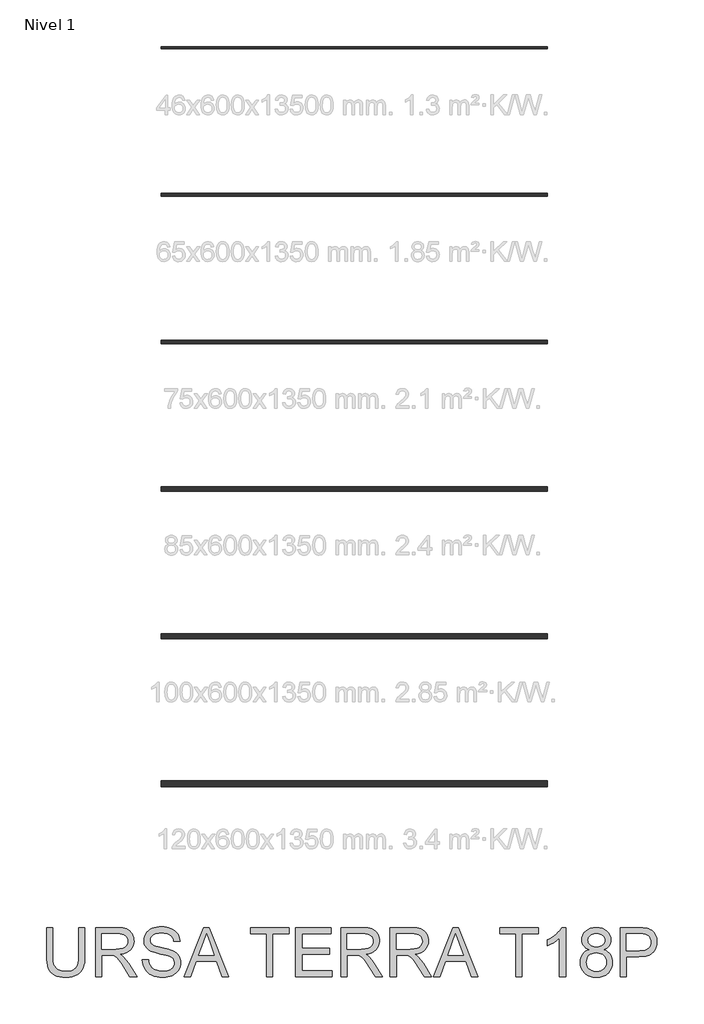
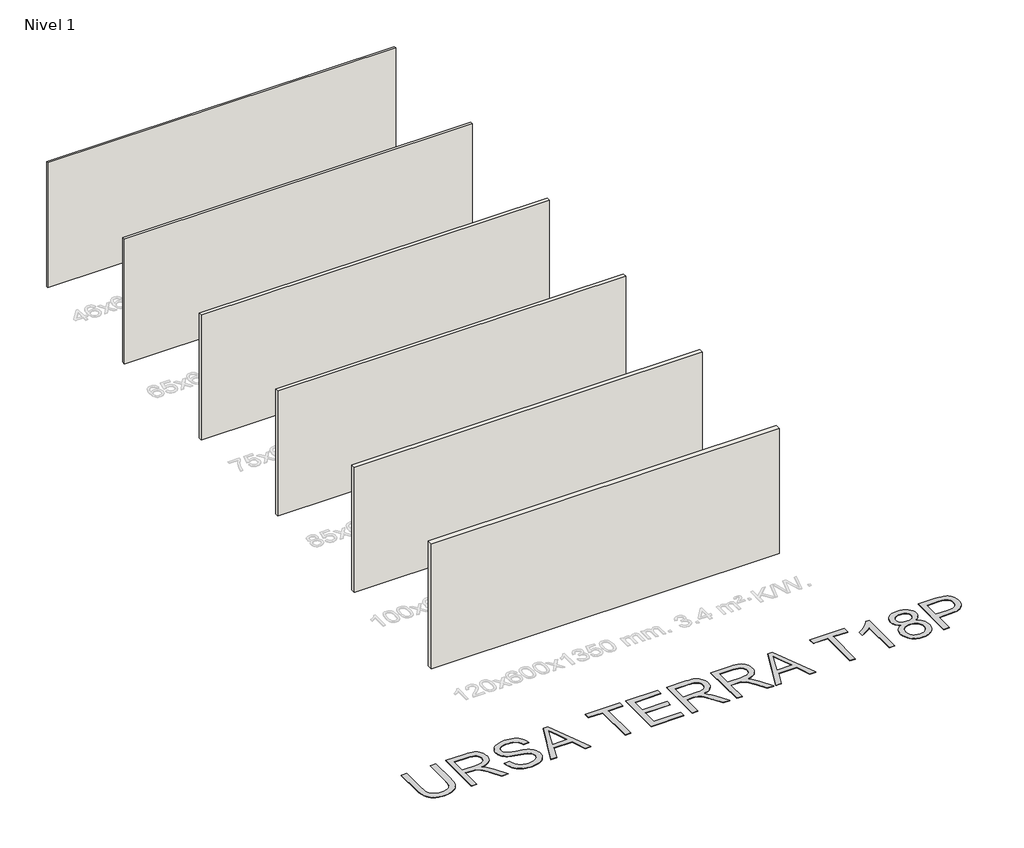
# One storey, part 1 of 7: 6 walls, 1 proxy.
"""IFC4 building model written with IfcOpenShell, lengths in millimetres."""

import ifcopenshell
import ifcopenshell.guid

model = None  # the IFC model being written
_history = None  # IfcOwnerHistory: only IFC2X3 demands one
_inside = {}  # id of a spatial element -> (the spatial element, [elements in it])
_under = {}  # id of a project, library or spatial element -> (it, [spatial elements below it])
_declared = {}  # id of a project -> (the project, [libraries it declares])
_typed = {}  # id of a type object -> (the type object, [elements of that type])
_made_of = {}  # id of a material, layer set ... -> (it, [elements and type objects made of it])


def new_model(schema):
    """Start an empty IFC model of exactly this schema.

    Asked for "IFC4X3", IfcOpenShell would pick the latest addendum, in which some entities
    have other attributes; the version numbers below select the first issue.
    IFC2X3 requires an IfcOwnerHistory on every rooted entity: one is made here for all.
    """
    global model, _history
    if schema == "IFC4X3":
        model = ifcopenshell.file(schema_version=(4, 3, 0, 0))
    else:
        model = ifcopenshell.file(schema=schema)
    _inside.clear()
    _under.clear()
    _declared.clear()
    _typed.clear()
    _made_of.clear()
    _history = None
    if model.schema == "IFC2X3":
        org = make("IfcOrganization", Name="unknown")
        user = make(
            "IfcPersonAndOrganization",
            ThePerson=make("IfcPerson", FamilyName="unknown"),
            TheOrganization=org,
        )
        app = make(
            "IfcApplication",
            ApplicationDeveloper=org,
            Version="unknown",
            ApplicationFullName="unknown",
            ApplicationIdentifier="unknown",
        )
        _history = make(
            "IfcOwnerHistory",
            OwningUser=user,
            OwningApplication=app,
            ChangeAction="ADDED",
            CreationDate=0,
        )
    return model


def make(cls, **values):
    """One entity of the class cls with the attributes given. An attribute that is None is left unset."""
    return model.create_entity(
        cls, **{name: value for name, value in values.items() if value is not None}
    )


def rooted(cls, **values):
    """An entity with a GlobalId (a new one), such as an element, a storey or a relation."""
    return make(cls, GlobalId=ifcopenshell.guid.new(), OwnerHistory=_history, **values)


def si_unit(unit_type, name, prefix=None):
    """IfcSIUnit, for example si_unit("LENGTHUNIT", "METRE", prefix="MILLI")."""
    return make("IfcSIUnit", UnitType=unit_type, Prefix=prefix, Name=name)


def assignment(units):
    """IfcUnitAssignment: the units of a project."""
    return None if units is None else make("IfcUnitAssignment", Units=units)


def point(xyz):
    """IfcCartesianPoint."""
    return None if xyz is None else make("IfcCartesianPoint", Coordinates=xyz)


def direction(xyz):
    """IfcDirection."""
    return None if xyz is None else make("IfcDirection", DirectionRatios=xyz)


def frame(location, z_axis=None, x_axis=None):
    """IfcAxis2Placement3D, a coordinate frame: its origin and axes. An axis left out is left unset."""
    return make(
        "IfcAxis2Placement3D",
        Location=point(location),
        Axis=direction(z_axis),
        RefDirection=direction(x_axis),
    )


def origin():
    """The frame at (0, 0, 0) with its axes left unset."""
    return frame((0.0, 0.0, 0.0))


def origin_with_axes():
    """The frame at (0, 0, 0) with the z axis (0, 0, 1) and the x axis (1, 0, 0) written out."""
    return frame((0.0, 0.0, 0.0), z_axis=(0.0, 0.0, 1.0), x_axis=(1.0, 0.0, 0.0))


def place(relative_to, where):
    """IfcLocalPlacement: puts the frame where relative to a parent placement (None: the world)."""
    return make(
        "IfcLocalPlacement", PlacementRelTo=relative_to, RelativePlacement=where
    )


def context(
    kind, dimensions, precision=None, world=None, true_north=None, identifier=None
):
    """IfcGeometricRepresentationContext, for example the 3D "Model" context."""
    return make(
        "IfcGeometricRepresentationContext",
        ContextIdentifier=identifier,
        ContextType=kind,
        CoordinateSpaceDimension=dimensions,
        Precision=precision,
        WorldCoordinateSystem=world,
        TrueNorth=true_north,
    )


def project(units=None, contexts=None):
    """IfcProject with its units and contexts."""
    return rooted(
        "IfcProject",
        Name="project",
        RepresentationContexts=contexts,
        UnitsInContext=assignment(units),
    )


def spatial(cls, under=None, at=None, **own):
    """A site, building, storey or space (cls), placed at a placement, below another one or the project."""
    s = rooted(cls, ObjectPlacement=at, **own)
    if under is not None:
        _under.setdefault(under.id(), (under, []))[1].append(s)
    return s


def polyline(points):
    """IfcPolyline through the points."""
    return make("IfcPolyline", Points=[point(p) for p in points])


def outline(outer, holes=None, kind="AREA"):
    """IfcArbitraryClosedProfileDef: a profile drawn as a closed curve; with holes, ...WithVoids."""
    if holes is None:
        return make("IfcArbitraryClosedProfileDef", ProfileType=kind, OuterCurve=outer)
    return make(
        "IfcArbitraryProfileDefWithVoids",
        ProfileType=kind,
        OuterCurve=outer,
        InnerCurves=holes,
    )


def extrude(swept, where, along, depth):
    """IfcExtrudedAreaSolid: the profile swept, set in the frame where, extruded along a direction by depth."""
    return make(
        "IfcExtrudedAreaSolid",
        SweptArea=swept,
        Position=where,
        ExtrudedDirection=direction(along),
        Depth=depth,
    )


def shape(context_of_items, identifier, shape_type, items):
    """IfcShapeRepresentation: the items that make up one representation, for example the "Body"."""
    return make(
        "IfcShapeRepresentation",
        ContextOfItems=context_of_items,
        RepresentationIdentifier=identifier,
        RepresentationType=shape_type,
        Items=items,
    )


def made_of(thing, what):
    """Note that an element or type object is made of a material, layer set ...; save() writes the relation."""
    if what is not None:
        _made_of.setdefault(what.id(), (what, []))[1].append(thing)
    return thing


def element(
    cls,
    number,
    at=None,
    inside=None,
    cuts=None,
    type_object=None,
    material=None,
    context=None,
    identifier="Body",
    shape_type=None,
    held_by="IfcProductDefinitionShape",
    body=None,
    shapes=None,
    **own,
):
    """One element of the class cls, such as IfcWall. Its Tag is "e" and its number.

    at: its placement. inside: the storey or other place that contains it. cuts: it is an
    opening in that element (IfcRelVoidsElement). A single representation is given by context,
    identifier, shape_type and body (its items); several are given by shapes. held_by: the class
    of the entity that holds the representations. save() writes the other relations.
    """
    e = rooted(cls, Tag="e%d" % number, ObjectPlacement=at, **own)
    if body is not None:
        shapes = [shape(context, identifier, shape_type, body)]
    if shapes is not None:
        e.Representation = make(held_by, Representations=shapes)
    if inside is not None:
        _inside.setdefault(inside.id(), (inside, []))[1].append(e)
    if cuts is not None:
        rooted(
            "IfcRelVoidsElement", RelatingBuildingElement=cuts, RelatedOpeningElement=e
        )
    if type_object is not None:
        _typed.setdefault(type_object.id(), (type_object, []))[1].append(e)
    return made_of(e, material)


def aggregate(whole, parts):
    """IfcRelAggregates: a whole, such as a stair, and the parts it consists of."""
    return rooted("IfcRelAggregates", RelatingObject=whole, RelatedObjects=parts)


def save(model, path):
    """Write the relations noted so far, then the file.

    IfcRelAggregates (storeys below a building ...), IfcRelContainedInSpatialStructure (elements
    in a storey), IfcRelDefinesByType, IfcRelAssociatesMaterial and IfcRelDeclares: one each for
    every whole, place, type object, material and project.
    """
    for whole, parts in _under.values():
        aggregate(whole, parts)
    for where, things in _inside.values():
        rooted(
            "IfcRelContainedInSpatialStructure",
            RelatedElements=things,
            RelatingStructure=where,
        )
    for kind, things in _typed.values():
        rooted("IfcRelDefinesByType", RelatedObjects=things, RelatingType=kind)
    for what, things in _made_of.values():
        rooted("IfcRelAssociatesMaterial", RelatedObjects=things, RelatingMaterial=what)
    for by, libraries in _declared.values():
        rooted("IfcRelDeclares", RelatingContext=by, RelatedDefinitions=libraries)
    model.write(path)


model = new_model("IFC4")

# Units and contexts
model_context = context("Model", 3, world=origin())
ifc_project = project(units=[si_unit("LENGTHUNIT", "METRE", prefix="MILLI")], contexts=[model_context])

# Site, building, storey
site = spatial("IfcSite", under=ifc_project)
building = spatial("IfcBuilding", under=site)
storey = spatial("IfcBuildingStorey", under=building, Name="Nivel 1", Elevation=0.0)

# Proxy
placement = place(None, origin())
element("IfcBuildingElementProxy", 1, Name="Texto de modelo 2", ObjectType="Texto de modelo 2", at=placement, inside=storey, context=model_context, shape_type="SweptSolid", body=[
    extrude(outline(polyline([(-8219.1012107, -14017.8387308), (-8093.530823, -14017.8387308), (-8093.530823, -14597.3755006), (-8095.6614729, -14669.1354823), (-8102.0534226, -14733.0933), (-8112.706672, -14789.2489537), (-8127.6212212, -14837.6024434), (-8148.0846572, -14879.985515), (-8175.3845669, -14918.229914), (-8209.5209504, -14952.3356407), (-8250.4938076, -14982.3026949), (-8298.3491238, -15006.7131981), (-8353.1328843, -15024.1492718), (-8414.845089, -15034.6109161), (-8483.4857379, -15038.0981308), (-8550.4325968, -15035.0631043), (-8610.9875061, -15025.958025), (-8665.1504656, -15010.7828927), (-8712.9214756, -14989.5377074), (-8754.3082, -14962.5367018), (-8789.3183032, -14930.0941084), (-8817.9517852, -14892.2099271), (-8840.2086459, -14848.8841579), (-8856.8936272, -14798.6299446), (-8868.811471, -14739.9604305), (-8875.9621773, -14672.8756159), (-8878.3457461, -14597.3755006), (-8878.3457461, -14017.8387308), (-8752.7753584, -14017.8387308), (-8752.7753584, -14592.9609166), (-8751.2271883, -14653.66911), (-8746.5826781, -14705.8087187), (-8738.8418278, -14749.3797425), (-8728.0046374, -14784.3821815), (-8713.3966565, -14813.3452244), (-8694.3434348, -14838.7980599), (-8670.8449724, -14860.7406881), (-8642.9012691, -14879.1731089), (-8611.0488197, -14893.7657614), (-8575.8241187, -14904.1890846), (-8537.227166, -14910.4430785), (-8495.2579617, -14912.5277431), (-8426.0501614, -14908.4043991), (-8367.5415958, -14896.034367), (-8319.7322648, -14875.4176468), (-8299.8398123, -14862.0167788), (-8282.6221685, -14846.5542386), (-8267.734444, -14828.1601389), (-8254.8317495, -14805.9645918), (-8234.9814502, -14750.1691559), (-8223.0712706, -14679.1679308), (-8219.1012107, -14592.9609166), (-8219.1012107, -14017.8387308)])), origin_with_axes(), (0.0, 0.0, 1.0), 10.0),
    extrude(outline(polyline([(-7873.7826446, -15022.4018323), (-7873.7826446, -14017.8387308), (-7440.9081636, -14017.8387308), (-7378.7744274, -14019.5325209), (-7324.5654826, -14024.6138909), (-7278.2813291, -14033.082841), (-7239.9219669, -14044.9393712), (-7207.2571114, -14061.0955221), (-7178.056478, -14082.4633347), (-7152.3200668, -14109.0428088), (-7130.0478776, -14140.8339446), (-7112.0753093, -14176.1276235), (-7099.2377606, -14213.2147271), (-7091.5352313, -14252.0952555), (-7088.9677215, -14292.7692086), (-7093.2213571, -14344.3646584), (-7105.9822638, -14391.7294653), (-7127.2504416, -14434.8636292), (-7157.0258906, -14473.7671502), (-7195.6918212, -14507.1984265), (-7243.6314437, -14533.9158564), (-7300.8447581, -14553.9194399), (-7367.3317645, -14567.209177), (-7325.9450401, -14594.2485036), (-7295.9626575, -14620.9199483), (-7244.5204918, -14681.9270458), (-7194.1819721, -14750.1691559), (-7026.673037, -15022.4018323), (-7172.5995618, -15022.4018323), (-7303.3202974, -14814.1806231), (-7355.6208544, -14734.7181121), (-7397.7433428, -14676.3475022), (-7432.8454165, -14636.1563942), (-7464.0847293, -14611.2323891), (-7493.668573, -14596.6090798), (-7523.8042398, -14587.3200594), (-7596.6448749, -14582.9054754), (-7748.2122569, -14582.9054754), (-7748.2122569, -15022.4018323), (-7873.7826446, -15022.4018323)]), holes=[polyline([(-7748.2122569, -14457.3350877), (-7467.1504126, -14457.3350877), (-7386.4309715, -14452.889847), (-7323.7990618, -14439.5541246), (-7298.6144735, -14429.3300709), (-7276.6488527, -14416.4388726), (-7257.9021994, -14400.8805299), (-7242.3745135, -14382.6550427), (-7230.1960866, -14362.6591234), (-7221.4972103, -14341.7894844), (-7216.2778845, -14320.0461257), (-7214.5381092, -14297.4290472), (-7217.8567114, -14265.3160147), (-7227.8125179, -14236.176695), (-7244.4055287, -14210.0110881), (-7267.6357438, -14186.819194), (-7298.0396579, -14167.827286), (-7336.1537654, -14154.2616374), (-7381.9780665, -14146.1222482), (-7435.512561, -14143.4091185), (-7748.2122569, -14143.4091185), (-7748.2122569, -14457.3350877)])]), origin_with_axes(), (0.0, 0.0, 1.0), 10.0),
    extrude(outline(polyline([(-6916.3084385, -14677.0832662), (-6790.7380508, -14677.0832662), (-6784.9898946, -14713.6338753), (-6776.3293393, -14746.7662475), (-6764.7563849, -14776.4803828), (-6750.2710313, -14802.7762812), (-6732.1375146, -14826.1827732), (-6709.6200708, -14847.228689), (-6682.7186999, -14865.9140286), (-6651.4334019, -14882.2387922), (-6616.913808, -14895.4902082), (-6580.3095495, -14904.9555054), (-6541.6206264, -14910.6346837), (-6500.8470386, -14912.5277431), (-6430.8881458, -14906.7949154), (-6399.1736521, -14899.6288807), (-6369.6357936, -14889.5964321), (-6343.00267, -14877.0577874), (-6320.0023811, -14862.3731644), (-6300.6349269, -14845.5425632), (-6284.9003074, -14826.5659836), (-6272.7218805, -14806.263496), (-6264.0230042, -14785.4551706), (-6258.8036784, -14764.1410075), (-6257.0639031, -14742.3210067), (-6262.2755647, -14700.2904887), (-6277.9105495, -14663.9621417), (-6291.0623308, -14647.8443118), (-6309.6710284, -14632.9680836), (-6333.7366423, -14619.3334572), (-6363.2591724, -14606.9404325), (-6429.569902, -14587.2280889), (-6546.096524, -14558.9931457), (-6666.1180249, -14527.2633237), (-6709.9189749, -14511.9732282), (-6742.9133914, -14497.0663432), (-6776.4443024, -14477.0627597), (-6805.4226737, -14454.8212274), (-6829.8485054, -14430.3417463), (-6849.7217973, -14403.6243164), (-6865.1191917, -14374.9448492), (-6876.1173305, -14344.5792562), (-6882.7162138, -14312.5275374), (-6884.9158415, -14278.7896928), (-6882.1950476, -14241.3960208), (-6874.0326658, -14205.2439506), (-6860.4286962, -14170.333482), (-6841.3831388, -14136.6646153), (-6817.1105913, -14105.6092435), (-6787.8256516, -14078.53926), (-6753.5283198, -14055.4546648), (-6714.2185958, -14036.3554579), (-6671.2223876, -14021.3872593), (-6625.8656033, -14010.6956888), (-6578.1482428, -14004.2807465), (-6528.0703062, -14002.1424324), (-6473.4398299, -14004.3803812), (-6422.1202916, -14011.0942276), (-6374.1116912, -14022.2839716), (-6329.4140288, -14037.9496132), (-6288.8550388, -14057.9531967), (-6253.2624558, -14082.1567663), (-6222.6362797, -14110.560322), (-6196.9765105, -14143.1638639), (-6176.4824177, -14179.01703), (-6161.3532707, -14217.1694586), (-6151.5890694, -14257.6211496), (-6147.1898139, -14300.3721031), (-6272.7602016, -14300.3721031), (-6281.1601738, -14260.3036225), (-6295.8141399, -14225.4468035), (-6316.7221, -14195.801646), (-6343.884054, -14171.3681502), (-6377.8058396, -14152.2689432), (-6418.9932946, -14138.6266526), (-6467.4464191, -14130.4412782), (-6523.1652129, -14127.7128201), (-6580.6621031, -14130.4106214), (-6629.7896779, -14138.5040253), (-6670.5479373, -14151.9930317), (-6702.9368812, -14170.8776408), (-6727.6156318, -14193.5790256), (-6745.2433107, -14218.5183592), (-6755.8199181, -14245.6956416), (-6759.3454538, -14275.1108728), (-6756.846922, -14300.4180884), (-6749.3513263, -14323.3647278), (-6736.8586669, -14343.9507911), (-6719.3689437, -14362.1762783), (-6691.8391077, -14379.4360753), (-6648.490346, -14396.8798132), (-6589.3226584, -14414.5074921), (-6514.3360451, -14432.3191121), (-6375.8897875, -14465.9803146), (-6327.17608, -14481.2014322), (-6292.13532, -14495.3495606), (-6253.638002, -14516.7940152), (-6220.5516151, -14540.9056143), (-6192.8761591, -14567.6843579), (-6170.6116342, -14597.1302459), (-6153.4974572, -14629.0899942), (-6141.2730451, -14663.4103187), (-6133.9383978, -14700.0912193), (-6131.4935154, -14739.1326961), (-6134.3062798, -14778.4117632), (-6142.7445731, -14816.5411992), (-6156.8083952, -14853.5210039), (-6176.4977461, -14889.3511774), (-6201.4677366, -14922.644498), (-6231.3734771, -14952.0137439), (-6266.2149677, -14977.4589153), (-6305.9922085, -14998.980012), (-6349.5479038, -15016.094189), (-6395.7247584, -15028.3186011), (-6444.5227723, -15035.6532484), (-6495.9419453, -15038.0981308), (-6560.1756745, -15035.4616432), (-6618.9678158, -15027.5521803), (-6672.3183694, -15014.3697421), (-6720.227335, -14995.9143287), (-6762.9859528, -14972.1552832), (-6800.8854625, -14943.0619487), (-6833.9258642, -14908.6343253), (-6862.1071578, -14868.872413), (-6884.8085426, -14825.0637988), (-6901.4092176, -14778.4960695), (-6911.9091829, -14729.1692253), (-6916.3084385, -14677.0832662)])), origin_with_axes(), (0.0, 0.0, 1.0), 10.0),
    extrude(outline(polyline([(-6060.1244083, -15022.4018323), (-5659.1330336, -14017.8387308), (-5552.2020003, -14017.8387308), (-5151.2106256, -15022.4018323), (-5283.8933985, -15022.4018323), (-5398.9178357, -14708.4758631), (-5812.6624529, -14708.4758631), (-5927.4416354, -15022.4018323), (-6060.1244083, -15022.4018323)]), holes=[polyline([(-5766.5545762, -14582.9054754), (-5444.7804577, -14582.9054754), (-5535.2794286, -14335.9340293), (-5605.667517, -14143.4091185), (-5668.2074561, -14314.351619), (-5766.5545762, -14582.9054754)])]), origin_with_axes(), (0.0, 0.0, 1.0), 10.0),
    extrude(outline(polyline([(-4373.5080878, -15022.4018323), (-4373.5080878, -14143.4091185), (-4703.1303555, -14143.4091185), (-4703.1303555, -14017.8387308), (-3918.3154324, -14017.8387308), (-3918.3154324, -14143.4091185), (-4247.9377001, -14143.4091185), (-4247.9377001, -15022.4018323), (-4373.5080878, -15022.4018323)])), origin_with_axes(), (0.0, 0.0, 1.0), 10.0),
    extrude(outline(polyline([(-3777.0487463, -15022.4018323), (-3777.0487463, -14017.8387308), (-3055.0190171, -14017.8387308), (-3055.0190171, -14143.4091185), (-3651.4783586, -14143.4091185), (-3651.4783586, -14441.6387893), (-3086.411614, -14441.6387893), (-3086.411614, -14567.209177), (-3651.4783586, -14567.209177), (-3651.4783586, -14896.8314446), (-3039.3227186, -14896.8314446), (-3039.3227186, -15022.4018323), (-3777.0487463, -15022.4018323)])), origin_with_axes(), (0.0, 0.0, 1.0), 10.0),
    extrude(outline(polyline([(-2850.9671371, -15022.4018323), (-2850.9671371, -14017.8387308), (-2418.0926561, -14017.8387308), (-2355.9589199, -14019.5325209), (-2301.7499751, -14024.6138909), (-2255.4658216, -14033.082841), (-2217.1064594, -14044.9393712), (-2184.4416039, -14061.0955221), (-2155.2409705, -14082.4633347), (-2129.5045593, -14109.0428088), (-2107.2323702, -14140.8339446), (-2089.2598019, -14176.1276235), (-2076.4222531, -14213.2147271), (-2068.7197238, -14252.0952555), (-2066.152214, -14292.7692086), (-2070.4058496, -14344.3646584), (-2083.1667563, -14391.7294653), (-2104.4349342, -14434.8636292), (-2134.2103831, -14473.7671502), (-2172.8763137, -14507.1984265), (-2220.8159362, -14533.9158564), (-2278.0292506, -14553.9194399), (-2344.5162571, -14567.209177), (-2303.1295326, -14594.2485036), (-2273.14715, -14620.9199483), (-2221.7049843, -14681.9270458), (-2171.3664647, -14750.1691559), (-2003.8575295, -15022.4018323), (-2149.7840543, -15022.4018323), (-2280.5047899, -14814.1806231), (-2332.8053469, -14734.7181121), (-2374.9278353, -14676.3475022), (-2410.029909, -14636.1563942), (-2441.2692218, -14611.2323891), (-2470.8530656, -14596.6090798), (-2500.9887323, -14587.3200594), (-2573.8293674, -14582.9054754), (-2725.3967494, -14582.9054754), (-2725.3967494, -15022.4018323), (-2850.9671371, -15022.4018323)]), holes=[polyline([(-2725.3967494, -14457.3350877), (-2444.3349051, -14457.3350877), (-2363.615464, -14452.889847), (-2300.9835543, -14439.5541246), (-2275.798966, -14429.3300709), (-2253.8333452, -14416.4388726), (-2235.0866919, -14400.8805299), (-2219.559006, -14382.6550427), (-2207.3805791, -14362.6591234), (-2198.6817028, -14341.7894844), (-2193.462377, -14320.0461257), (-2191.7226017, -14297.4290472), (-2195.0412039, -14265.3160147), (-2204.9970104, -14236.176695), (-2221.5900212, -14210.0110881), (-2244.8202364, -14186.819194), (-2275.2241504, -14167.827286), (-2313.338258, -14154.2616374), (-2359.162559, -14146.1222482), (-2412.6970535, -14143.4091185), (-2725.3967494, -14143.4091185), (-2725.3967494, -14457.3350877)])]), origin_with_axes(), (0.0, 0.0, 1.0), 10.0),
    extrude(outline(polyline([(-1846.4040356, -15022.4018323), (-1846.4040356, -14017.8387308), (-1413.5295546, -14017.8387308), (-1351.3958185, -14019.5325209), (-1297.1868736, -14024.6138909), (-1250.9027201, -14033.082841), (-1212.5433579, -14044.9393712), (-1179.8785024, -14061.0955221), (-1150.677869, -14082.4633347), (-1124.9414578, -14109.0428088), (-1102.6692687, -14140.8339446), (-1084.6967004, -14176.1276235), (-1071.8591516, -14213.2147271), (-1064.1566223, -14252.0952555), (-1061.5891125, -14292.7692086), (-1065.8427481, -14344.3646584), (-1078.6036548, -14391.7294653), (-1099.8718327, -14434.8636292), (-1129.6472817, -14473.7671502), (-1168.3132122, -14507.1984265), (-1216.2528347, -14533.9158564), (-1273.4661491, -14553.9194399), (-1339.9531556, -14567.209177), (-1298.5664311, -14594.2485036), (-1268.5840485, -14620.9199483), (-1217.1418828, -14681.9270458), (-1166.8033632, -14750.1691559), (-999.294428, -15022.4018323), (-1145.2209528, -15022.4018323), (-1275.9416884, -14814.1806231), (-1328.2422454, -14734.7181121), (-1370.3647338, -14676.3475022), (-1405.4668075, -14636.1563942), (-1436.7061203, -14611.2323891), (-1466.2899641, -14596.6090798), (-1496.4256308, -14587.3200594), (-1569.2662659, -14582.9054754), (-1720.8336479, -14582.9054754), (-1720.8336479, -15022.4018323), (-1846.4040356, -15022.4018323)]), holes=[polyline([(-1720.8336479, -14457.3350877), (-1439.7718036, -14457.3350877), (-1359.0523625, -14452.889847), (-1296.4204528, -14439.5541246), (-1271.2358645, -14429.3300709), (-1249.2702437, -14416.4388726), (-1230.5235904, -14400.8805299), (-1214.9959045, -14382.6550427), (-1202.8174776, -14362.6591234), (-1194.1186013, -14341.7894844), (-1188.8992755, -14320.0461257), (-1187.1595002, -14297.4290472), (-1190.4781024, -14265.3160147), (-1200.4339089, -14236.176695), (-1217.0269197, -14210.0110881), (-1240.2571349, -14186.819194), (-1270.6610489, -14167.827286), (-1308.7751565, -14154.2616374), (-1354.5994575, -14146.1222482), (-1408.133952, -14143.4091185), (-1720.8336479, -14143.4091185), (-1720.8336479, -14457.3350877)])]), origin_with_axes(), (0.0, 0.0, 1.0), 10.0),
    extrude(outline(polyline([(-958.8274086, -15022.4018323), (-557.8360338, -14017.8387308), (-450.9050005, -14017.8387308), (-49.9136258, -15022.4018323), (-182.5963987, -15022.4018323), (-297.6208359, -14708.4758631), (-711.3654531, -14708.4758631), (-826.1446356, -15022.4018323), (-958.8274086, -15022.4018323)]), holes=[polyline([(-665.2575764, -14582.9054754), (-343.483458, -14582.9054754), (-433.9824288, -14335.9340293), (-504.3705172, -14143.4091185), (-566.9104564, -14314.351619), (-665.2575764, -14582.9054754)])]), origin_with_axes(), (0.0, 0.0, 1.0), 10.0),
    extrude(outline(polyline([(727.788912, -15022.4018323), (727.788912, -14143.4091185), (398.1666443, -14143.4091185), (398.1666443, -14017.8387308), (1182.9815674, -14017.8387308), (1182.9815674, -14143.4091185), (853.3592997, -14143.4091185), (853.3592997, -15022.4018323), (727.788912, -15022.4018323)])), origin_with_axes(), (0.0, 0.0, 1.0), 10.0),
    extrude(outline(polyline([(1748.048312, -15022.4018323), (1622.4779243, -15022.4018323), (1622.4779243, -14239.5489466), (1570.05474, -14281.9473465), (1503.5294125, -14324.2844328), (1433.6931471, -14361.2872302), (1371.3371489, -14387.6827633), (1371.3371489, -14268.9795062), (1422.2964694, -14243.427036), (1469.9601804, -14215.3300486), (1514.3282819, -14184.6885441), (1555.4007738, -14151.5025224), (1591.9513829, -14117.3048253), (1622.7538358, -14083.6282943), (1647.8081325, -14050.4729295), (1667.114273, -14017.8387308), (1748.048312, -14017.8387308), (1748.048312, -15022.4018323)])), origin_with_axes(), (0.0, 0.0, 1.0), 10.0),
    extrude(outline(polyline([(2229.2379616, -14469.1073116), (2193.1165482, -14454.0241498), (2162.007527, -14435.997932), (2135.910898, -14415.0286583), (2114.8266611, -14391.1163286), (2098.5708755, -14364.4908692), (2086.9596, -14335.3822063), (2079.9928347, -14303.79034), (2077.6705796, -14269.7152702), (2082.7289571, -14218.5030308), (2097.9040894, -14171.5520912), (2123.1959765, -14128.8624513), (2158.6046186, -14090.4341112), (2202.4285612, -14058.6736323), (2252.9663503, -14035.9875759), (2310.2179858, -14022.3759421), (2374.1834677, -14017.8387308), (2438.455518, -14022.483241), (2496.1363491, -14036.4167716), (2547.2259612, -14059.6393225), (2591.7243542, -14092.1508939), (2627.7767898, -14131.3303264), (2653.5285294, -14174.5564608), (2668.9795732, -14221.8292972), (2674.1299211, -14273.1488355), (2671.8383229, -14306.0206246), (2664.9635281, -14336.7004502), (2653.5055368, -14365.1883122), (2637.464349, -14391.4842106), (2616.7633225, -14415.2355919), (2591.3258154, -14436.0899025), (2561.1518276, -14454.0471424), (2526.2413591, -14469.1073116), (2567.5131204, -14486.6660127), (2603.5272349, -14508.9305376), (2634.2837025, -14535.9008863), (2659.7825233, -14567.577059), (2679.793771, -14603.2539483), (2694.0875194, -14642.2264472), (2702.6637684, -14684.4945556), (2705.5225181, -14730.0582735), (2699.851004, -14792.6901832), (2682.8364617, -14850.1104313), (2654.4788912, -14902.3190177), (2614.7782926, -14949.3159426), (2591.1955239, -14970.124268), (2565.8193304, -14988.15815), (2538.6497122, -15003.4175885), (2509.6866693, -15015.9025838), (2446.3803093, -15032.549244), (2375.9002504, -15038.0981308), (2305.4201915, -15032.5262514), (2242.1138315, -15015.8106133), (2213.1507886, -15003.2738846), (2185.9811704, -14987.9512163), (2160.6049769, -14969.8426083), (2137.0222082, -14948.9480606), (2097.3216095, -14901.6215748), (2068.9640391, -14848.7921874), (2051.9494968, -14790.4598986), (2046.2779827, -14726.6247082), (2049.2516955, -14678.9839898), (2058.1728339, -14635.3899734), (2073.0413979, -14595.8426589), (2093.8573874, -14560.3420464), (2120.1609501, -14529.5319293), (2151.4922333, -14504.0561011), (2187.8512372, -14483.9145619), (2229.2379616, -14469.1073116)]), holes=[polyline([(2171.8483704, -14722.2101243), (2177.0906888, -14770.2493815), (2192.8176441, -14816.755797), (2205.3179678, -14838.3305432), (2221.8496649, -14857.314787), (2242.4127356, -14873.7085284), (2267.0071798, -14887.5117674), (2321.0858331, -14906.2737492), (2376.881269, -14912.5277431), (2422.2840386, -14909.2397978), (2462.3525193, -14899.3759618), (2497.086711, -14882.9362351), (2526.4866137, -14859.9206178), (2549.8777773, -14831.8312946), (2566.5857512, -14800.1704504), (2576.6105356, -14764.9380852), (2579.9521304, -14726.1341989), (2576.5032367, -14686.7095117), (2566.1565556, -14650.8410172), (2548.912087, -14618.5287153), (2524.7698311, -14589.772606), (2494.5728507, -14566.1668447), (2459.1642086, -14549.3055865), (2418.543905, -14539.1888317), (2372.7119398, -14535.81658), (2327.9759563, -14539.1428464), (2288.436306, -14549.1216455), (2254.0929889, -14565.7529774), (2224.946005, -14589.036842), (2201.7157899, -14617.3177704), (2185.1227791, -14648.9402936), (2175.1669726, -14683.9044115), (2171.8483704, -14722.2101243)]), polyline([(2203.2409673, -14273.3940902), (2206.0230749, -14302.1808563), (2214.3693977, -14328.2085074), (2228.2799356, -14351.4770436), (2247.7546887, -14371.9864649), (2272.5484024, -14388.7250956), (2302.4158219, -14400.6812605), (2337.3569472, -14407.8549594), (2377.3717784, -14410.2461924), (2416.3979267, -14407.8702878), (2450.5802954, -14400.7425742), (2479.9188845, -14388.8630514), (2504.413694, -14372.2317195), (2523.7274988, -14352.151494), (2537.5230736, -14329.9252901), (2545.8004185, -14305.5531079), (2548.5595335, -14279.0349474), (2545.708448, -14251.4821188), (2537.1551916, -14226.2132243), (2522.8997643, -14203.2282638), (2502.9421661, -14182.5272373), (2477.8955336, -14165.4130604), (2448.3730034, -14153.1886482), (2414.3745757, -14145.854001), (2375.9002504, -14143.4091185), (2337.1270209, -14145.8003515), (2302.9676448, -14152.9740504), (2273.4221221, -14164.9302152), (2248.4904527, -14181.668846), (2228.6938029, -14201.7490716), (2214.5533387, -14223.7300208), (2206.0690602, -14247.6116937), (2203.2409673, -14273.3940902)])]), origin_with_axes(), (0.0, 0.0, 1.0), 10.0),
    extrude(outline(polyline([(2862.4855027, -15022.4018323), (2862.4855027, -14017.8387308), (3234.7820818, -14017.8387308), (3321.4796053, -14020.2299638), (3384.8779358, -14027.4036627), (3419.8190612, -14034.9375794), (3451.8018021, -14045.2765963), (3480.8261587, -14058.4207134), (3506.8921309, -14074.3699308), (3530.2756302, -14093.4538093), (3551.2525681, -14116.0019099), (3569.8229447, -14142.0142326), (3585.9867599, -14171.4907775), (3599.0772275, -14203.45819), (3608.4275616, -14236.9431158), (3614.037762, -14271.9455548), (3615.9078288, -14308.465507), (3610.8571156, -14370.1317265), (3595.7049759, -14426.8621958), (3570.4514098, -14478.656915), (3535.0964172, -14525.5158842), (3512.8606331, -14546.3242095), (3486.5589865, -14564.3580915), (3456.1914774, -14579.6175301), (3421.7581058, -14592.1025253), (3383.2588718, -14601.8130771), (3340.6937754, -14608.7491856), (3243.365995, -14614.2980724), (2988.0558904, -14614.2980724), (2988.0558904, -15022.4018323), (2862.4855027, -15022.4018323)]), holes=[polyline([(2988.0558904, -14488.7276847), (3250.7236349, -14488.7276847), (3311.1175958, -14485.8459424), (3362.0692521, -14477.2007155), (3403.5786039, -14462.792004), (3435.6456512, -14442.6198079), (3459.5733093, -14417.2206219), (3476.6644936, -14387.1309403), (3486.9192042, -14352.3507634), (3490.3374411, -14312.880091), (3488.3217543, -14283.5721587), (3482.2746941, -14256.4715184), (3472.1962602, -14231.57817), (3458.0864529, -14208.8921137), (3440.6963644, -14189.1491133), (3420.7770872, -14173.0849328), (3398.3286213, -14160.6995723), (3373.3509666, -14151.9930317), (3324.9131706, -14145.5550968), (3247.780579, -14143.4091185), (2988.0558904, -14143.4091185), (2988.0558904, -14488.7276847)])]), origin_with_axes(), (0.0, 0.0, 1.0), 10.0),
])

# Walls
element("IfcWall", 2, at=placement, inside=storey, context=model_context, shape_type="SweptSolid", body=[
    extrude(outline(polyline([(1368.7582768, 3954.3831431), (-6531.2417232, 3954.3831431), (-6531.2417232, 4000.3831431), (1368.7582768, 4000.3831431), (1368.7582768, 3954.3831431)])), origin_with_axes(), (0.0, 0.0, 1.0), 3000.0),
])
element("IfcWall", 3, at=placement, inside=storey, context=model_context, shape_type="SweptSolid", body=[
    extrude(outline(polyline([(1368.7582768, 935.3831431), (-6531.2417232, 935.3831431), (-6531.2417232, 1000.3831431), (1368.7582768, 1000.3831431), (1368.7582768, 935.3831431)])), origin_with_axes(), (0.0, 0.0, 1.0), 3000.0),
])
element("IfcWall", 4, at=placement, inside=storey, context=model_context, shape_type="SweptSolid", body=[
    extrude(outline(polyline([(1368.7582768, -2078.6168569), (-6531.2417232, -2078.6168569), (-6531.2417232, -2003.6168569), (1368.7582768, -2003.6168569), (1368.7582768, -2078.6168569)])), origin_with_axes(), (0.0, 0.0, 1.0), 3000.0),
])
element("IfcWall", 5, at=placement, inside=storey, context=model_context, shape_type="SweptSolid", body=[
    extrude(outline(polyline([(1368.7582768, -5092.6168569), (-6531.2417232, -5092.6168569), (-6531.2417232, -5007.6168569), (1368.7582768, -5007.6168569), (1368.7582768, -5092.6168569)])), origin_with_axes(), (0.0, 0.0, 1.0), 3000.0),
])
element("IfcWall", 6, at=placement, inside=storey, context=model_context, shape_type="SweptSolid", body=[
    extrude(outline(polyline([(1368.7582768, -8111.6168569), (-6531.2417232, -8111.6168569), (-6531.2417232, -8011.6168569), (1368.7582768, -8011.6168569), (1368.7582768, -8111.6168569)])), origin_with_axes(), (0.0, 0.0, 1.0), 3000.0),
])
element("IfcWall", 7, at=placement, inside=storey, context=model_context, shape_type="SweptSolid", body=[
    extrude(outline(polyline([(1368.7582768, -11135.6168569), (-6531.2417232, -11135.6168569), (-6531.2417232, -11015.6168569), (1368.7582768, -11015.6168569), (1368.7582768, -11135.6168569)])), origin_with_axes(), (0.0, 0.0, 1.0), 3000.0),
])

save(model, "model.ifc")
